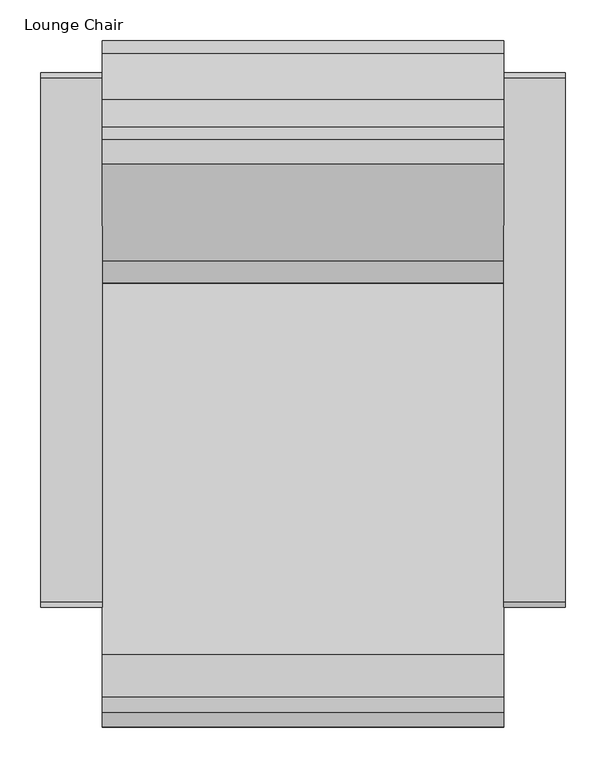
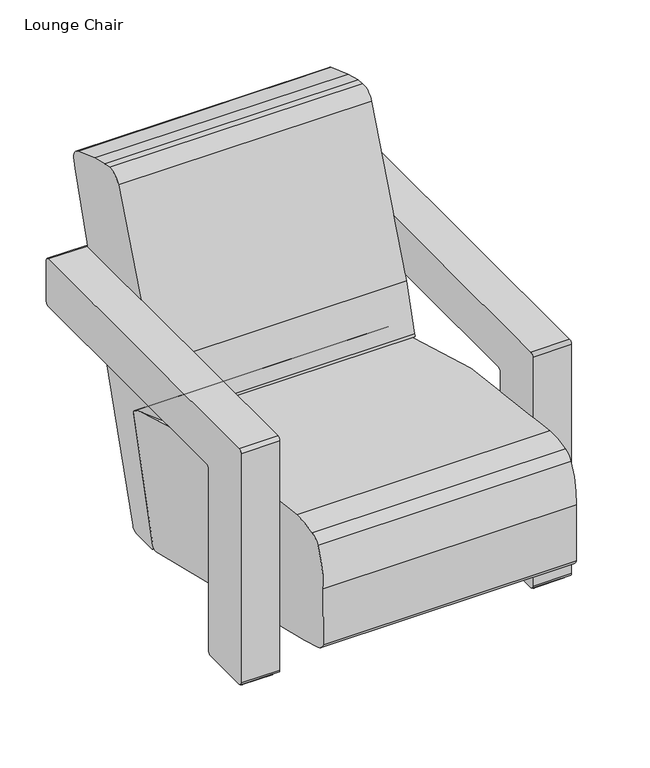
"""IFC4 building model written with IfcOpenShell, lengths in millimetres: furniture geometry, Lounge Chair."""

from ifc_helpers import new_model, si_unit, point, frame, frame_2d, origin, place, context, project, spatial, polyline, circle_curve, trimmed, segment, composite_curve, outline, extrude, source, transform, mapped, element, save


def lounge_chair_eecbbd85(model_context):
    return source(origin(), model_context, "Body", "SweptSolid", [
        extrude(outline(composite_curve([segment(polyline([(19.713159, 1611.3137834), (1.27, 1611.3137834)]), True, "CONTINUOUS"), segment(trimmed(circle_curve(frame_2d((1.27, 1612.5837834)), 1.27), [point((1.27, 1611.3137834))], [point((0.0, 1612.5837834))], False, "CARTESIAN"), True, "CONTINUOUS"), segment(polyline([(0.0, 1612.5837834), (0.0, 1700.0441038)]), True, "CONTINUOUS"), segment(trimmed(circle_curve(frame_2d((1.27, 1700.0441038)), 1.27), [point((0.0, 1700.0441038))], [point((1.27, 1701.3141038))], False, "CARTESIAN"), True, "CONTINUOUS"), segment(polyline([(1.27, 1701.3141038), (19.713159, 1701.3141038), (19.713159, 1611.3137834)]), True, "CONTINUOUS")], self_intersect=False)), frame((0.0, 1339.891233, 0.0), z_axis=(0.0, 1.0, 0.0), x_axis=(0.0, 0.0, 1.0)), (0.0, 0.0, 1.0), 59.924976),
        extrude(outline(composite_curve([segment(polyline([(924.5876583, 19.713159), (1014.5879787, 19.713159), (1014.5879787, 1.27)]), True, "CONTINUOUS"), segment(trimmed(circle_curve(frame_2d((1013.3179787, 1.27)), 1.27), [point((1014.5879787, 1.27))], [point((1013.3179787, 0.0))], False, "CARTESIAN"), True, "CONTINUOUS"), segment(polyline([(1013.3179787, 0.0), (925.8576583, 0.0)]), True, "CONTINUOUS"), segment(trimmed(circle_curve(frame_2d((925.8576583, 1.27)), 1.27), [point((925.8576583, 0.0))], [point((924.5876583, 1.27))], False, "CARTESIAN"), True, "CONTINUOUS"), segment(polyline([(924.5876583, 1.27), (924.5876583, 19.713159)]), True, "CONTINUOUS")], self_intersect=False)), frame((1717.8882375, 0.0, 0.0), z_axis=(1.0, 0.0, 0.0), x_axis=(0.0, 1.0, 0.0)), (0.0, 0.0, 1.0), 59.924976),
        extrude(outline(composite_curve([segment(polyline([(19.713159, 1319.1157467), (19.713159, 1229.1154263), (1.27, 1229.1154263)]), True, "CONTINUOUS"), segment(trimmed(circle_curve(frame_2d((1.27, 1230.3854263)), 1.27), [point((1.27, 1229.1154263))], [point((0.0, 1230.3854263))], False, "CARTESIAN"), True, "CONTINUOUS"), segment(polyline([(0.0, 1230.3854263), (0.0, 1317.8457467)]), True, "CONTINUOUS"), segment(trimmed(circle_curve(frame_2d((1.27, 1317.8457467)), 1.27), [point((0.0, 1317.8457467))], [point((1.27, 1319.1157467))], False, "CARTESIAN"), True, "CONTINUOUS"), segment(polyline([(1.27, 1319.1157467), (19.713159, 1319.1157467)]), True, "CONTINUOUS")], self_intersect=False)), frame((0.0, 1339.891233, 0.0), z_axis=(0.0, 1.0, 0.0), x_axis=(0.0, 0.0, 1.0)), (0.0, 0.0, 1.0), 59.924976),
        extrude(outline(composite_curve([segment(polyline([(919.5670374, 489.5316627), (1560.1025528, 489.5316627)]), True, "CONTINUOUS"), segment(trimmed(circle_curve(frame_2d((1560.1025528, 483.1816627)), 6.35), [point((1560.1025528, 489.5316627))], [point((1566.4525528, 483.1816627))], False, "CARTESIAN"), True, "CONTINUOUS"), segment(polyline([(1566.4525528, 483.1816627), (1566.4525528, 399.2376662)]), True, "CONTINUOUS"), segment(trimmed(circle_curve(frame_2d((1560.1025528, 399.2376662)), 6.35), [point((1566.4525528, 399.2376662))], [point((1560.1025528, 392.8876662))], False, "CARTESIAN"), True, "CONTINUOUS"), segment(polyline([(1560.1025528, 392.8876662), (1028.5665864, 392.8876662)]), True, "CONTINUOUS"), segment(trimmed(circle_curve(frame_2d((1028.5665864, 386.5376662)), 6.35), [point((1028.5665864, 392.8876662))], [point((1022.2165864, 386.5376662))], True, "CARTESIAN"), True, "CONTINUOUS"), segment(polyline([(1022.2165864, 386.5376662), (1022.2165864, 13.9923688)]), True, "CONTINUOUS"), segment(trimmed(circle_curve(frame_2d((1015.8665864, 13.9923688)), 6.35), [point((1022.2165864, 13.9923688))], [point((1015.8665864, 7.6423688))], False, "CARTESIAN"), True, "CONTINUOUS"), segment(polyline([(1015.8665864, 7.6423688), (919.5670374, 7.6423688)]), True, "CONTINUOUS"), segment(trimmed(circle_curve(frame_2d((919.5670374, 13.9923688)), 6.35), [point((919.5670374, 7.6423688))], [point((913.2170374, 13.9923688))], False, "CARTESIAN"), True, "CONTINUOUS"), segment(polyline([(913.2170374, 13.9923688), (913.2170374, 483.1816627)]), True, "CONTINUOUS"), segment(trimmed(circle_curve(frame_2d((919.5670374, 483.1816627)), 6.35), [point((913.2170374, 483.1816627))], [point((919.5670374, 489.5316627))], False, "CARTESIAN"), True, "CONTINUOUS")], self_intersect=False)), frame((1710.3227106, 0.0, 0.0), z_axis=(1.0, 0.0, 0.0), x_axis=(0.0, 1.0, 0.0)), (0.0, 0.0, 1.0), 74.9320544),
        extrude(outline(composite_curve([segment(trimmed(circle_curve(frame_2d((787.6386916, -1304.7837022)), 1673.0821889), [point((855.6151241, 366.9169933))], [point((1376.1287014, 261.3847176))], False, "CARTESIAN"), True, "CONTINUOUS"), segment(trimmed(circle_curve(frame_2d((1348.4128757, 171.400226)), 94.1561242), [point((1376.1287014, 261.3847176))], [point((1399.6412197, 250.4004317))], False, "CARTESIAN"), True, "CONTINUOUS"), segment(trimmed(circle_curve(frame_2d((1394.6188563, 242.6553495)), 9.2309497), [point((1399.6412197, 250.4004317))], [point((1403.8398006, 242.2256763))], False, "CARTESIAN"), True, "CONTINUOUS"), segment(trimmed(circle_curve(frame_2d((2644.0087666, -230.5565896)), 1327.2310029), [point((1403.8398006, 242.2256763))], [point((1338.918182, 10.8573723))], True, "CARTESIAN"), True, "CONTINUOUS"), segment(trimmed(circle_curve(frame_2d((1330.5359591, 12.407905)), 8.5244244), [point((1338.918182, 10.8573723))], [point((1328.693806, 4.0849078))], False, "CARTESIAN"), True, "CONTINUOUS"), segment(trimmed(circle_curve(frame_2d((4027.851155, 12199.0972283)), 12490.1471526), [point((1328.693806, 4.0849078))], [point((829.9684337, 125.2692523))], False, "CARTESIAN"), True, "CONTINUOUS"), segment(trimmed(circle_curve(frame_2d((1055.7211203, 977.6141757)), 881.7347356), [point((829.9684337, 125.2692523))], [point((784.4409801, 138.6486046))], False, "CARTESIAN"), True, "CONTINUOUS"), segment(trimmed(circle_curve(frame_2d((792.9740628, 165.0381611)), 27.7348551), [point((784.4409801, 138.6486046))], [point((767.0949459, 155.0635184))], False, "CARTESIAN"), True, "CONTINUOUS"), segment(trimmed(circle_curve(frame_2d((-247.9632134, 215.2894321)), 1016.8432659), [point((767.0949459, 155.0635184))], [point((767.4362041, 269.4581529))], True, "CARTESIAN"), True, "CONTINUOUS"), segment(trimmed(circle_curve(frame_2d((913.9421441, 277.2738353)), 146.7142643), [point((767.4362041, 269.4581529))], [point((784.9659481, 347.2039161))], False, "CARTESIAN"), True, "CONTINUOUS"), segment(trimmed(circle_curve(frame_2d((810.953348, 333.1137116)), 29.5614414), [point((784.9659481, 347.2039161))], [point((804.0316448, 361.8533853))], False, "CARTESIAN"), True, "CONTINUOUS"), segment(trimmed(circle_curve(frame_2d((847.9877817, 179.3426667)), 187.729338), [point((804.0316448, 361.8533853))], [point((855.6151241, 366.9169933))], False, "CARTESIAN"), True, "CONTINUOUS")], self_intersect=False)), frame((1220.1068194, 0.0, 0.0), z_axis=(1.0, 0.0, 0.0), x_axis=(0.0, 1.0, 0.0)), (0.0, 0.0, 1.0), 490.22),
        extrude(outline(composite_curve([segment(polyline([(924.5876583, 19.713159), (1014.5879787, 19.713159), (1014.5879787, 1.27)]), True, "CONTINUOUS"), segment(trimmed(circle_curve(frame_2d((1013.3179787, 1.27)), 1.27), [point((1014.5879787, 1.27))], [point((1013.3179787, 0.0))], False, "CARTESIAN"), True, "CONTINUOUS"), segment(polyline([(1013.3179787, 0.0), (925.8576583, 0.0)]), True, "CONTINUOUS"), segment(trimmed(circle_curve(frame_2d((925.8576583, 1.27)), 1.27), [point((925.8576583, 0.0))], [point((924.5876583, 1.27))], False, "CARTESIAN"), True, "CONTINUOUS"), segment(polyline([(924.5876583, 1.27), (924.5876583, 19.713159)]), True, "CONTINUOUS")], self_intersect=False)), frame((1152.6163166, 0.0, 0.0), z_axis=(1.0, 0.0, 0.0), x_axis=(0.0, 1.0, 0.0)), (0.0, 0.0, 1.0), 59.924976),
        extrude(outline(composite_curve([segment(polyline([(1336.457867, 382.292472), (1454.3995052, 678.8220829)]), True, "CONTINUOUS"), segment(trimmed(circle_curve(frame_2d((1480.9183925, 668.2744651)), 28.5395099), [point((1454.3995052, 678.8220829))], [point((1484.1872219, 696.626156))], False, "CARTESIAN"), True, "CONTINUOUS"), segment(trimmed(circle_curve(frame_2d((1451.5472795, 413.5286131)), 284.9729543), [point((1484.1872219, 696.626156))], [point((1500.1879894, 694.3197561))], False, "CARTESIAN"), True, "CONTINUOUS"), segment(trimmed(circle_curve(frame_2d((1462.256007, 470.2796802)), 227.2284993), [point((1500.1879894, 694.3197561))], [point((1533.647575, 686.0018045))], False, "CARTESIAN"), True, "CONTINUOUS"), segment(trimmed(circle_curve(frame_2d((1191.9194556, -346.5895493)), 1087.668613), [point((1533.647575, 686.0018045))], [point((1589.7121761, 665.7265886))], False, "CARTESIAN"), True, "CONTINUOUS"), segment(trimmed(circle_curve(frame_2d((1580.8987714, 643.2979433)), 24.0981375), [point((1589.7121761, 665.7265886))], [point((1604.9932201, 643.7195744))], False, "CARTESIAN"), True, "CONTINUOUS"), segment(polyline([(1604.9932201, 643.7195744), (1600.1092159, 624.5156593), (1405.8361904, 10.3867774)]), True, "CONTINUOUS"), segment(trimmed(circle_curve(frame_2d((1391.9562721, 17.8273092)), 15.748449), [point((1405.8361904, 10.3867774))], [point((1391.8428585, 2.0792686))], False, "CARTESIAN"), True, "CONTINUOUS"), segment(polyline([(1391.8428585, 2.0792686), (1340.986079, 2.4455269)]), True, "CONTINUOUS"), segment(trimmed(circle_curve(frame_2d((1342.9572791, 8.7246347)), 6.581248), [point((1340.986079, 2.4455269))], [point((1336.6311123, 10.5391425))], False, "CARTESIAN"), True, "CONTINUOUS"), segment(polyline([(1336.6311123, 10.5391425), (1403.2468135, 242.7905764), (1403.6250654, 244.6798571)]), True, "CONTINUOUS"), segment(trimmed(circle_curve(frame_2d((1394.6188563, 242.6553495)), 9.2309497), [point((1403.6250654, 244.6798571))], [point((1399.6412197, 250.4004317))], True, "CARTESIAN"), True, "CONTINUOUS"), segment(trimmed(circle_curve(frame_2d((1348.4128757, 171.400226)), 94.1561242), [point((1399.6412197, 250.4004317))], [point((1376.1287014, 261.3847176))], True, "CARTESIAN"), True, "CONTINUOUS"), segment(trimmed(circle_curve(frame_2d((787.6386916, -1304.7837022)), 1673.0821889), [point((1376.1287014, 261.3847176))], [point((1308.8778318, 285.0319379))], True, "CARTESIAN"), True, "CONTINUOUS"), segment(trimmed(circle_curve(frame_2d((1326.727115, 285.2265598)), 17.8503442), [point((1308.8778318, 285.0319379))], [point((1309.5914837, 290.2270523))], False, "CARTESIAN"), True, "CONTINUOUS"), segment(polyline([(1309.5914837, 290.2270523), (1336.457867, 382.292472)]), True, "CONTINUOUS")], self_intersect=False)), frame((1220.104765, 0.0, 0.0), z_axis=(1.0, 0.0, 0.0), x_axis=(0.0, 1.0, 0.0)), (0.0, 0.0, 1.0), 490.22),
        extrude(outline(composite_curve([segment(polyline([(919.5670374, 489.5316627), (1560.1025528, 489.5316627)]), True, "CONTINUOUS"), segment(trimmed(circle_curve(frame_2d((1560.1025528, 483.1816627)), 6.35), [point((1560.1025528, 489.5316627))], [point((1566.4525528, 483.1816627))], False, "CARTESIAN"), True, "CONTINUOUS"), segment(polyline([(1566.4525528, 483.1816627), (1566.4525528, 399.2376662)]), True, "CONTINUOUS"), segment(trimmed(circle_curve(frame_2d((1560.1025528, 399.2376662)), 6.35), [point((1566.4525528, 399.2376662))], [point((1560.1025528, 392.8876662))], False, "CARTESIAN"), True, "CONTINUOUS"), segment(polyline([(1560.1025528, 392.8876662), (1028.5665864, 392.8876662)]), True, "CONTINUOUS"), segment(trimmed(circle_curve(frame_2d((1028.5665864, 386.5376662)), 6.35), [point((1028.5665864, 392.8876662))], [point((1022.2165864, 386.5376662))], True, "CARTESIAN"), True, "CONTINUOUS"), segment(polyline([(1022.2165864, 386.5376662), (1022.2165864, 13.9923688)]), True, "CONTINUOUS"), segment(trimmed(circle_curve(frame_2d((1015.8665864, 13.9923688)), 6.35), [point((1022.2165864, 13.9923688))], [point((1015.8665864, 7.6423688))], False, "CARTESIAN"), True, "CONTINUOUS"), segment(polyline([(1015.8665864, 7.6423688), (919.5670374, 7.6423688)]), True, "CONTINUOUS"), segment(trimmed(circle_curve(frame_2d((919.5670374, 13.9923688)), 6.35), [point((919.5670374, 7.6423688))], [point((913.2170374, 13.9923688))], False, "CARTESIAN"), True, "CONTINUOUS"), segment(polyline([(913.2170374, 13.9923688), (913.2170374, 483.1816627)]), True, "CONTINUOUS"), segment(trimmed(circle_curve(frame_2d((919.5670374, 483.1816627)), 6.35), [point((913.2170374, 483.1816627))], [point((919.5670374, 489.5316627))], False, "CARTESIAN"), True, "CONTINUOUS")], self_intersect=False)), frame((1145.174765, 0.0, 0.0), z_axis=(1.0, 0.0, 0.0), x_axis=(0.0, 1.0, 0.0)), (0.0, 0.0, 1.0), 74.9320544),
    ])


if __name__ == "__main__":
    model = new_model("IFC4")
    model_context = context("Model", 3, world=origin())
    ifc_project = project(units=[si_unit("LENGTHUNIT", "METRE", prefix="MILLI")], contexts=[model_context])
    site = spatial("IfcSite", under=ifc_project)
    building = spatial("IfcBuilding", under=site)
    placement = place(None, origin())
    lounge_chair_shape = lounge_chair_eecbbd85(model_context)
    element("IfcFurniture", 1, ObjectType="Lounge Chair", at=placement, inside=building, context=model_context, shape_type="MappedRepresentation", body=[
        mapped(lounge_chair_shape, transform((0.0, 0.0, 0.0), x_axis=(1.0, 0.0, 0.0), y_axis=(0.0, 1.0, 0.0), z_axis=(0.0, 0.0, 1.0))),
    ])
    save(model, "model.ifc")
